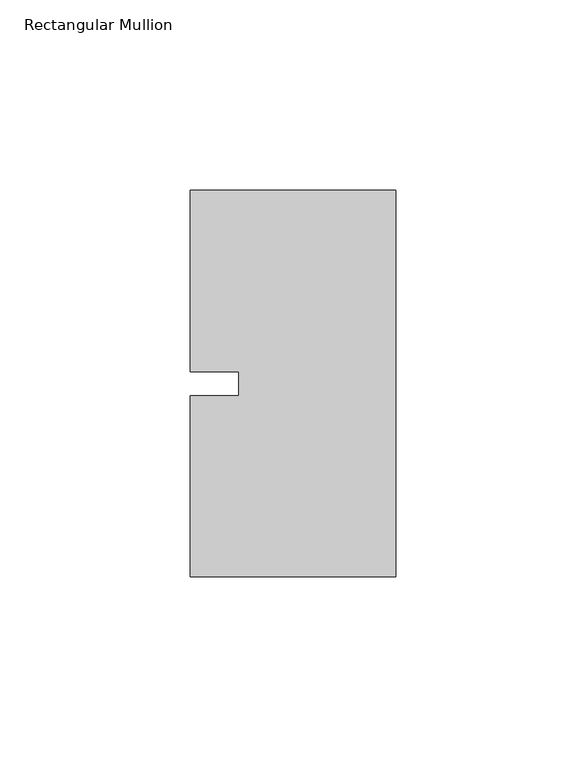
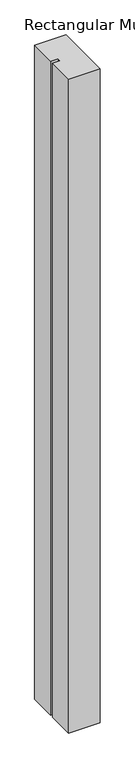
"""IFC4 building model written with IfcOpenShell, lengths in millimetres: member geometry, Rectangular Mullion."""

from ifc_helpers import new_model, si_unit, frame, origin, place, context, project, spatial, polyline, outline, extrude, source, transform, mapped, element, save


def rectangular_mullion_0c62924f(model_context):
    return source(origin(), model_context, "Body", "SweptSolid", [
        extrude(outline(polyline([(-53.975, 50.8), (0.0, 50.8), (0.0, -50.8), (-53.975, -50.8), (-53.975, -3.175), (-41.2732296, -3.175), (-41.2732296, 3.175), (-53.975, 3.175), (-53.975, 50.8)])), frame((0.0, 0.0, -1192.6405973), z_axis=(0.0, 0.0, 1.0), x_axis=(1.0, 0.0, 0.0)), (0.0, 0.0, 1.0), 1192.6405973),
    ])


if __name__ == "__main__":
    model = new_model("IFC4")
    model_context = context("Model", 3, world=origin())
    ifc_project = project(units=[si_unit("LENGTHUNIT", "METRE", prefix="MILLI")], contexts=[model_context])
    site = spatial("IfcSite", under=ifc_project)
    building = spatial("IfcBuilding", under=site)
    placement = place(None, origin())
    rectangular_mullion_shape = rectangular_mullion_0c62924f(model_context)
    element("IfcMember", 1, ObjectType="Rectangular Mullion", at=placement, inside=building, context=model_context, shape_type="MappedRepresentation", body=[
        mapped(rectangular_mullion_shape, transform((0.0, 0.0, 0.0), x_axis=(1.0, 0.0, 0.0), y_axis=(0.0, 1.0, 0.0), z_axis=(0.0, 0.0, 1.0))),
    ])
    save(model, "model.ifc")
